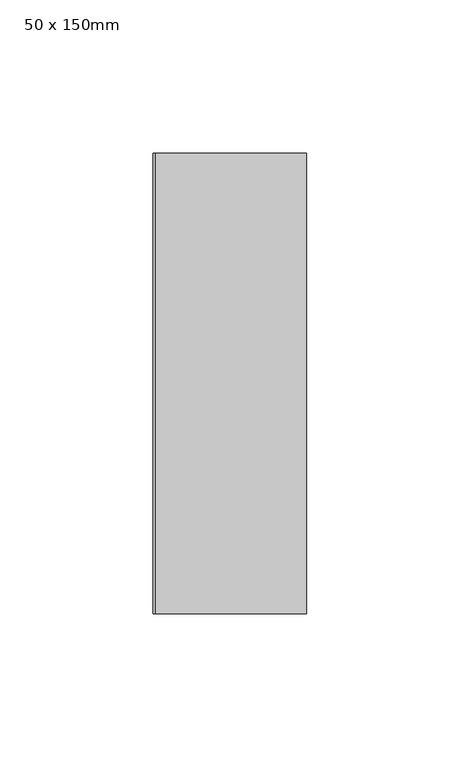
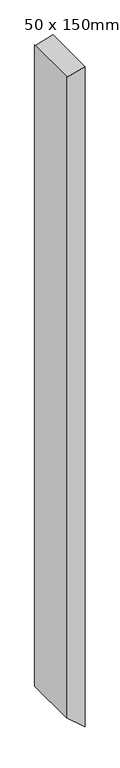
"""IFC4 building model written with IfcOpenShell, lengths in millimetres: member geometry, 50 x 150mm."""

from ifc_helpers import new_model, si_unit, frame, origin, place, context, project, spatial, polyline, outline, extrude, source, transform, mapped, element, save


def member_50_x_150mm_181c53dd(model_context):
    return source(origin(), model_context, "Body", "SweptSolid", [
        extrude(outline(polyline([(-0.8819045, 0.0), (-14.0761912, -49.2417483), (-11.2463572, -50.0), (-1852.6847715, -50.0), (-1896.3557825, 0.0), (-0.8819045, 0.0)])), frame((0.0, -75.0, 0.0), z_axis=(0.0, 1.0, 0.0), x_axis=(0.0, 0.0, 1.0)), (0.0, 0.0, 1.0), 150.0),
    ])


if __name__ == "__main__":
    model = new_model("IFC4")
    model_context = context("Model", 3, world=origin())
    ifc_project = project(units=[si_unit("LENGTHUNIT", "METRE", prefix="MILLI")], contexts=[model_context])
    site = spatial("IfcSite", under=ifc_project)
    building = spatial("IfcBuilding", under=site)
    placement = place(None, origin())
    member_50_x_150mm_shape = member_50_x_150mm_181c53dd(model_context)
    element("IfcMember", 1, ObjectType="50 x 150mm", at=placement, inside=building, context=model_context, shape_type="MappedRepresentation", body=[
        mapped(member_50_x_150mm_shape, transform((0.0, 0.0, 0.0), x_axis=(1.0, 0.0, 0.0), y_axis=(0.0, 1.0, 0.0), z_axis=(0.0, 0.0, 1.0))),
    ])
    save(model, "model.ifc")
